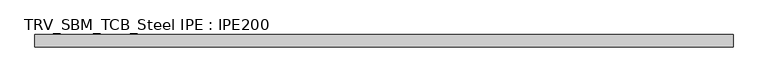
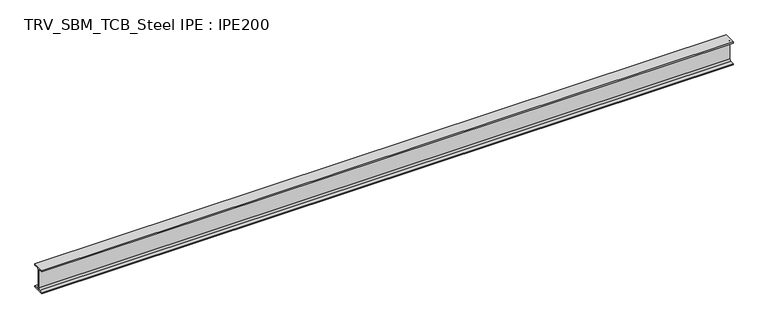
"""IFC4 building model written with IfcOpenShell, lengths in millimetres: beam geometry, TRV_SBM_TCB_Steel IPE : IPE200."""

from ifc_helpers import new_model, si_unit, point, frame, frame_2d, origin, place, context, project, spatial, polyline, circle_curve, trimmed, segment, composite_curve, outline, extrude, source, transform, mapped, element, save


def trv_sbm_tcb_steel_ipe_ipe200_52961c22(model_context):
    return source(origin(), model_context, "Body", "SweptSolid", [
        extrude(outline(composite_curve([segment(polyline([(50.0, -89.3), (50.0, -100.0), (-50.0, -100.0), (-50.0, -89.3), (-18.55, -89.3)]), True, "CONTINUOUS"), segment(trimmed(circle_curve(frame_2d((-18.55, -74.3)), 15.0), [point((-18.55, -89.3))], [point((-3.55, -74.3))], True, "CARTESIAN"), True, "CONTINUOUS"), segment(polyline([(-3.55, -74.3), (-3.55, 74.3)]), True, "CONTINUOUS"), segment(trimmed(circle_curve(frame_2d((-18.55, 74.3)), 15.0), [point((-3.55, 74.3))], [point((-18.55, 89.3))], True, "CARTESIAN"), True, "CONTINUOUS"), segment(polyline([(-18.55, 89.3), (-50.0, 89.3), (-50.0, 100.0), (50.0, 100.0), (50.0, 89.3), (18.55, 89.3)]), True, "CONTINUOUS"), segment(trimmed(circle_curve(frame_2d((18.55, 74.3)), 15.0), [point((18.55, 89.3))], [point((3.55, 74.3))], True, "CARTESIAN"), True, "CONTINUOUS"), segment(polyline([(3.55, 74.3), (3.55, -74.3)]), True, "CONTINUOUS"), segment(trimmed(circle_curve(frame_2d((18.55, -74.3)), 15.0), [point((3.55, -74.3))], [point((18.55, -89.3))], True, "CARTESIAN"), True, "CONTINUOUS"), segment(polyline([(18.55, -89.3), (50.0, -89.3)]), True, "CONTINUOUS")], self_intersect=False)), frame((-2836.0, 0.0, 0.0), z_axis=(1.0, 0.0, 0.0), x_axis=(0.0, 1.0, 0.0)), (0.0, 0.0, 1.0), 5692.0),
    ])


if __name__ == "__main__":
    model = new_model("IFC4")
    model_context = context("Model", 3, world=origin())
    ifc_project = project(units=[si_unit("LENGTHUNIT", "METRE", prefix="MILLI")], contexts=[model_context])
    site = spatial("IfcSite", under=ifc_project)
    building = spatial("IfcBuilding", under=site)
    placement = place(None, origin())
    trv_sbm_tcb_steel_ipe_ipe200_shape = trv_sbm_tcb_steel_ipe_ipe200_52961c22(model_context)
    element("IfcBeam", 1, ObjectType="TRV_SBM_TCB_Steel IPE : IPE200", at=placement, inside=building, context=model_context, shape_type="MappedRepresentation", body=[
        mapped(trv_sbm_tcb_steel_ipe_ipe200_shape, transform((0.0, 0.0, 0.0), x_axis=(1.0, 0.0, 0.0), y_axis=(0.0, 1.0, 0.0), z_axis=(0.0, 0.0, 1.0))),
    ])
    save(model, "model.ifc")
